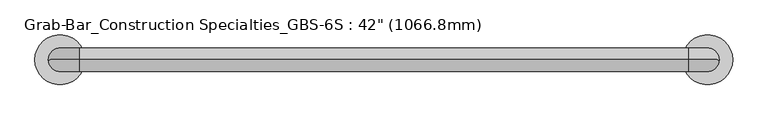
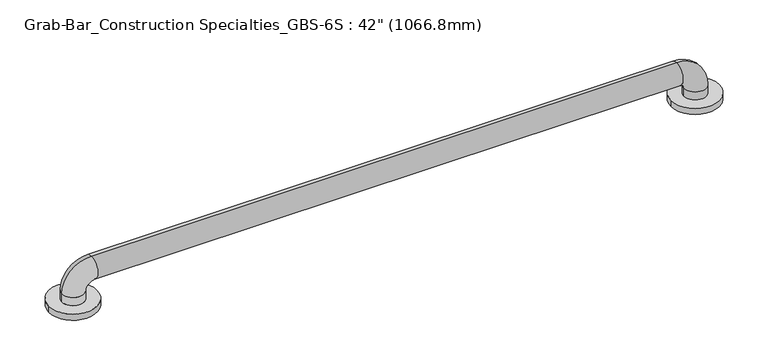
"""IFC4 building model written with IfcOpenShell, lengths in millimetres: proxy geometry."""

from ifc_helpers import new_model, si_unit, point, frame, origin, origin_with_axes, place, context, project, spatial, circle_curve, ellipse_curve, trimmed, source, transform, mapped, element, save
from ifc_brep_helpers import plane_surface, cylinder_surface, revolved_surface, advanced_brep


def proxy_b1e36b3f(model_context):
    return source(origin(), model_context, "Body", "AdvancedBrep", [
        advanced_brep(
        [(-41.3010856, 0.0, 0.0), (41.3010856, 0.0, 0.0), (1025.4989144, 0.0, 0.0), (1108.1010856, 0.0, 0.0), (19.05, 0.0, 25.4), (-19.05, 0.0, 25.4), (-19.05, 0.0, 11.1125), (19.05, 0.0, 11.1125), (31.75, 0.0, 38.1), (31.75, 0.0, 76.2), (1035.05, 0.0, 38.1), (1035.05, 0.0, 76.2), (1047.75, 0.0, 25.4), (1085.85, 0.0, 25.4), (1047.75, 0.0, 11.1125), (1085.85, 0.0, 11.1125), (-41.3010856, 0.0, 11.1125), (41.3010856, 0.0, 11.1125), (1025.4989144, 0.0, 11.1125), (1108.1010856, 0.0, 11.1125)],
        [
            (0, 1, circle_curve(frame((0.0, 0.0, 0.0), z_axis=(0.0, 0.0, -1.0), x_axis=(1.0, 0.0, 0.0)), 41.3010856)),
            (1, 0, circle_curve(frame((0.0, 0.0, 0.0), z_axis=(0.0, 0.0, -1.0), x_axis=(1.0, 0.0, 0.0)), 41.3010856)),
            (2, 3, circle_curve(frame((1066.8, 0.0, 0.0), z_axis=(0.0, 0.0, -1.0), x_axis=(1.0, 0.0, 0.0)), 41.3010856)),
            (3, 2, circle_curve(frame((1066.8, 0.0, 0.0), z_axis=(0.0, 0.0, -1.0), x_axis=(1.0, 0.0, 0.0)), 41.3010856)),
            (4, 5, circle_curve(frame((0.0, 0.0, 25.4), z_axis=(0.0, 0.0, -1.0), x_axis=(-1.0, 0.0, 0.0)), 19.05)),
            (5, 6),
            (6, 7, circle_curve(frame((0.0, 0.0, 11.1125), z_axis=(0.0, 0.0, 1.0), x_axis=(-1.0, 0.0, 0.0)), 19.05)),
            (7, 4),
            (5, 4, circle_curve(frame((0.0, 0.0, 25.4), z_axis=(0.0, 0.0, -1.0), x_axis=(-1.0, 0.0, 0.0)), 19.05)),
            (7, 6, circle_curve(frame((0.0, 0.0, 11.1125), z_axis=(0.0, 0.0, 1.0), x_axis=(-1.0, 0.0, 0.0)), 19.05)),
            (4, 8, circle_curve(frame((31.75, 0.0, 25.4), z_axis=(0.0, 1.0, 0.0), x_axis=(-1.0, 0.0, 0.0)), 12.7)),
            (8, 9, circle_curve(frame((31.75, 0.0, 57.15), z_axis=(-1.0, 0.0, 0.0), x_axis=(0.0, 0.0, 1.0)), 19.05)),
            (9, 5, circle_curve(frame((31.75, 0.0, 25.4), z_axis=(0.0, -1.0, 0.0), x_axis=(-1.0, 0.0, 0.0)), 50.8)),
            (9, 8, circle_curve(frame((31.75, 0.0, 57.15), z_axis=(-1.0, 0.0, 0.0), x_axis=(0.0, 0.0, 1.0)), 19.05)),
            (8, 10),
            (10, 11, circle_curve(frame((1035.05, 0.0, 57.15), z_axis=(-1.0, 0.0, 0.0), x_axis=(0.0, 0.0, 1.0)), 19.05)),
            (11, 9),
            (11, 10, circle_curve(frame((1035.05, 0.0, 57.15), z_axis=(-1.0, 0.0, 0.0), x_axis=(0.0, 0.0, 1.0)), 19.05)),
            (10, 12, circle_curve(frame((1035.05, 0.0, 25.4), z_axis=(0.0, 1.0, 0.0), x_axis=(0.0, 0.0, 1.0)), 12.7)),
            (12, 13, circle_curve(frame((1066.8, 0.0, 25.4), z_axis=(0.0, 0.0, 1.0), x_axis=(1.0, 0.0, 0.0)), 19.05)),
            (13, 11, circle_curve(frame((1035.05, 0.0, 25.4), z_axis=(0.0, -1.0, 0.0), x_axis=(0.0, 0.0, 1.0)), 50.8)),
            (13, 12, circle_curve(frame((1066.8, 0.0, 25.4), z_axis=(0.0, 0.0, 1.0), x_axis=(1.0, 0.0, 0.0)), 19.05)),
            (12, 14),
            (14, 15, circle_curve(frame((1066.8, 0.0, 11.1125), z_axis=(0.0, 0.0, 1.0), x_axis=(1.0, 0.0, 0.0)), 19.05)),
            (15, 13),
            (15, 14, circle_curve(frame((1066.8, 0.0, 11.1125), z_axis=(0.0, 0.0, 1.0), x_axis=(1.0, 0.0, 0.0)), 19.05)),
            (16, 17, circle_curve(frame((0.0, 0.0, 11.1125), z_axis=(0.0, 0.0, 1.0), x_axis=(1.0, 0.0, 0.0)), 41.3010856)),
            (17, 16, circle_curve(frame((0.0, 0.0, 11.1125), z_axis=(0.0, 0.0, 1.0), x_axis=(1.0, 0.0, 0.0)), 41.3010856)),
            (18, 19, circle_curve(frame((1066.8, 0.0, 11.1125), z_axis=(0.0, 0.0, 1.0), x_axis=(1.0, 0.0, 0.0)), 41.3010856)),
            (19, 18, circle_curve(frame((1066.8, 0.0, 11.1125), z_axis=(0.0, 0.0, 1.0), x_axis=(1.0, 0.0, 0.0)), 41.3010856)),
            (16, 0),
            (1, 17),
            (18, 2),
            (3, 19),
        ],
        [
            plane_surface(frame((0.0, 0.0, 0.0), z_axis=(0.0, 0.0, -1.0), x_axis=(0.0, -1.0, 0.0))),
            cylinder_surface(frame((0.0, 0.0, 0.0), z_axis=(0.0, 0.0, -1.0), x_axis=(-1.0, 0.0, 0.0)), 19.05),
            revolved_surface(trimmed(ellipse_curve(frame((0.0, 0.0, 25.4), z_axis=(0.0, 0.0, -1.0), x_axis=(-1.0, 0.0, 0.0)), 19.05, 19.05), [point((19.05, 0.0, 25.4))], [point((-19.05, 0.0, 25.4))], True, "CARTESIAN"), (31.75, 0.0, 25.4), (0.0, 1.0, 0.0)),
            revolved_surface(trimmed(ellipse_curve(frame((0.0, 0.0, 25.4), z_axis=(0.0, 0.0, -1.0), x_axis=(-1.0, 0.0, 0.0)), 19.05, 19.05), [point((-19.05, 0.0, 25.4))], [point((19.05, 0.0, 25.4))], True, "CARTESIAN"), (31.75, 0.0, 25.4), (0.0, 1.0, 0.0)),
            cylinder_surface(frame((31.75, 0.0, 57.15), z_axis=(-1.0, 0.0, 0.0), x_axis=(0.0, 0.0, 1.0)), 19.05),
            revolved_surface(trimmed(ellipse_curve(frame((1035.05, 0.0, 57.15), z_axis=(-1.0, 0.0, 0.0), x_axis=(0.0, 0.0, 1.0)), 19.05, 19.05), [point((1035.05, 0.0, 38.1))], [point((1035.05, 0.0, 76.2))], True, "CARTESIAN"), (1035.05, 0.0, 25.4), (0.0, 1.0, 0.0)),
            revolved_surface(trimmed(ellipse_curve(frame((1035.05, 0.0, 57.15), z_axis=(-1.0, 0.0, 0.0), x_axis=(0.0, 0.0, 1.0)), 19.05, 19.05), [point((1035.05, 0.0, 76.2))], [point((1035.05, 0.0, 38.1))], True, "CARTESIAN"), (1035.05, 0.0, 25.4), (0.0, 1.0, 0.0)),
            cylinder_surface(frame((1066.8, 0.0, 25.4), z_axis=(0.0, 0.0, 1.0), x_axis=(1.0, 0.0, 0.0)), 19.05),
            plane_surface(frame((41.3010856, 0.0, 11.1125), z_axis=(0.0, 0.0, 1.0), x_axis=(0.0, 1.0, 0.0))),
            cylinder_surface(origin_with_axes(), 41.3010856),
            cylinder_surface(frame((1066.8, 0.0, 0.0), z_axis=(0.0, 0.0, 1.0), x_axis=(1.0, 0.0, 0.0)), 41.3010856),
        ],
        [
            (0, [[1, 2]]),
            (0, [[3, 4]]),
            (1, [[5, 6, 7, 8]]),
            (1, [[9, -8, 10, -6]]),
            (2, [[-5, 11, 12, 13]]),
            (3, [[-9, -13, 14, -11]]),
            (4, [[-12, 15, 16, 17]]),
            (4, [[-14, -17, 18, -15]]),
            (5, [[-16, 19, 20, 21]]),
            (6, [[-18, -21, 22, -19]]),
            (7, [[-20, 23, 24, 25]]),
            (7, [[-22, -25, 26, -23]]),
            (8, [[27, 28], [-7, -10]]),
            (8, [[29, 30], [-24, -26]]),
            (9, [[-27, 31, -2, 32]]),
            (9, [[-28, -32, -1, -31]]),
            (10, [[-29, 33, -4, 34]]),
            (10, [[-30, -34, -3, -33]]),
        ],
    ),
    ])


if __name__ == "__main__":
    model = new_model("IFC4")
    model_context = context("Model", 3, world=origin())
    ifc_project = project(units=[si_unit("LENGTHUNIT", "METRE", prefix="MILLI")], contexts=[model_context])
    site = spatial("IfcSite", under=ifc_project)
    building = spatial("IfcBuilding", under=site)
    placement = place(None, origin())
    proxy_shape = proxy_b1e36b3f(model_context)
    element("IfcBuildingElementProxy", 1, Name="Grab-Bar_Construction Specialties_GBS-6S : 42\" (1066.8mm)", ObjectType="Grab-Bar_Construction Specialties_GBS-6S : 42\" (1066.8mm)", at=placement, inside=building, context=model_context, shape_type="MappedRepresentation", body=[
        mapped(proxy_shape, transform((0.0, 0.0, 0.0), x_axis=(1.0, 0.0, 0.0), y_axis=(0.0, 1.0, 0.0), z_axis=(0.0, 0.0, 1.0))),
    ])
    save(model, "model.ifc")
